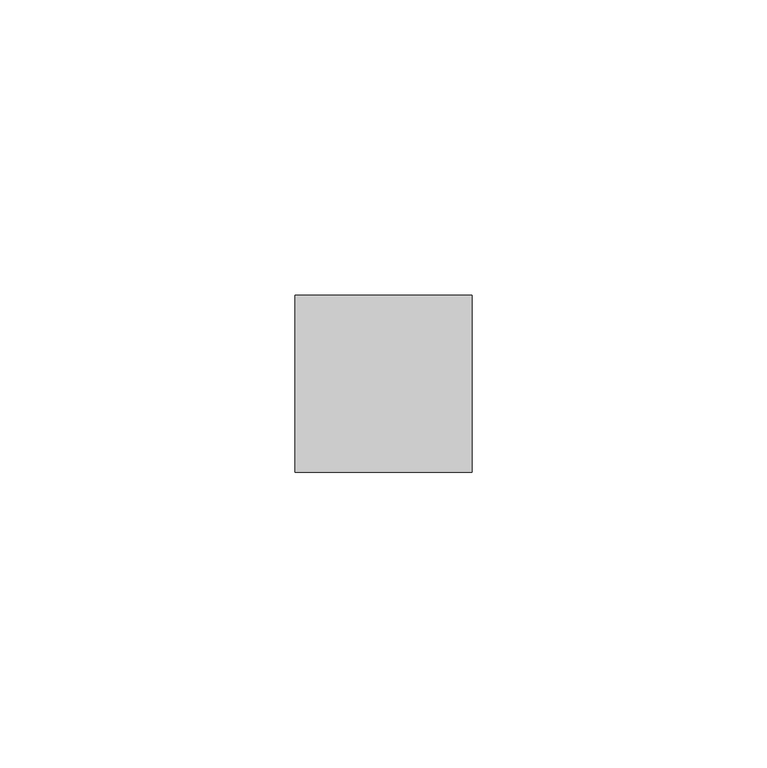
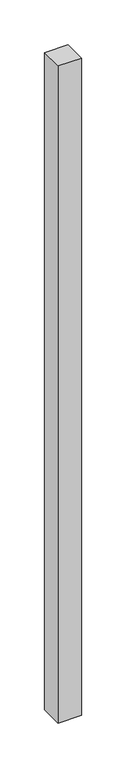
"""IFC4 building model written with IfcOpenShell, lengths in millimetres: member geometry."""

from ifc_helpers import new_model, si_unit, frame, origin, place, context, project, spatial, polyline, outline, extrude, source, transform, mapped, element, save


def member_5ef9fbb8(model_context):
    return source(origin(), model_context, "Body", "SweptSolid", [
        extrude(outline(polyline([(15.0, 15.0), (15.0, -15.0), (-15.0, -15.0), (-15.0, 15.0), (15.0, 15.0)])), frame((0.0, 0.0, -895.4107143), z_axis=(0.0, 0.0, 1.0), x_axis=(1.0, 0.0, 0.0)), (0.0, 0.0, 1.0), 895.4107143),
    ])


if __name__ == "__main__":
    model = new_model("IFC4")
    model_context = context("Model", 3, world=origin())
    ifc_project = project(units=[si_unit("LENGTHUNIT", "METRE", prefix="MILLI")], contexts=[model_context])
    site = spatial("IfcSite", under=ifc_project)
    building = spatial("IfcBuilding", under=site)
    placement = place(None, origin())
    member_shape = member_5ef9fbb8(model_context)
    element("IfcMember", 1, at=placement, inside=building, context=model_context, shape_type="MappedRepresentation", body=[
        mapped(member_shape, transform((0.0, 0.0, 0.0), x_axis=(1.0, 0.0, 0.0), y_axis=(0.0, 1.0, 0.0), z_axis=(0.0, 0.0, 1.0))),
    ])
    save(model, "model.ifc")
